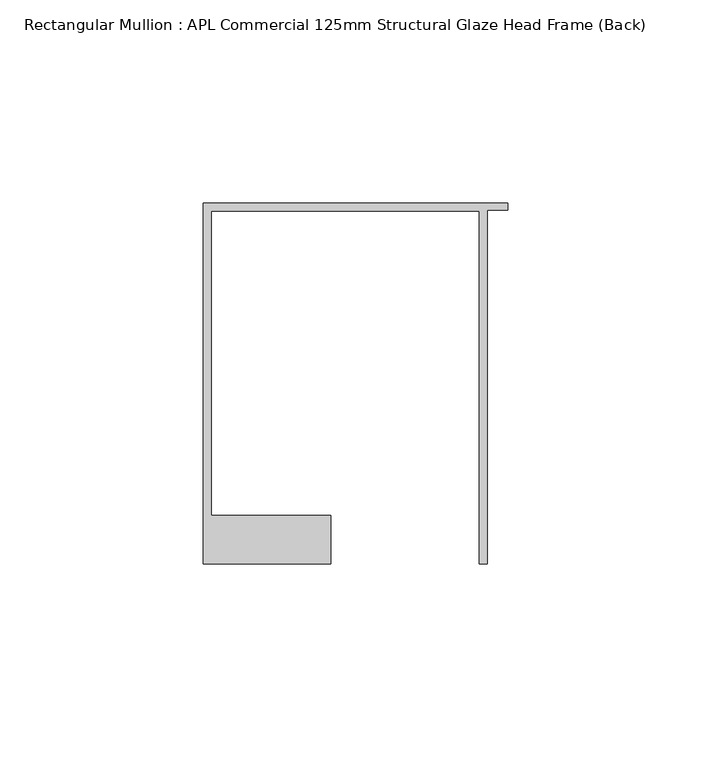
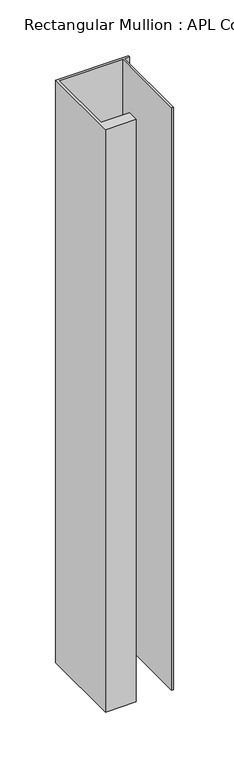
"""IFC4 building model written with IfcOpenShell, lengths in millimetres: member geometry, Rectangular Mullion : APL Commercial 125mm Structural Glaze Head Frame (Back)."""

import ifcopenshell
import ifcopenshell.guid

model = None  # the IFC model being written
_history = None  # IfcOwnerHistory: only IFC2X3 demands one
_inside = {}  # id of a spatial element -> (the spatial element, [elements in it])
_under = {}  # id of a project, library or spatial element -> (it, [spatial elements below it])
_declared = {}  # id of a project -> (the project, [libraries it declares])
_typed = {}  # id of a type object -> (the type object, [elements of that type])
_made_of = {}  # id of a material, layer set ... -> (it, [elements and type objects made of it])


def new_model(schema):
    """Start an empty IFC model of exactly this schema.

    Asked for "IFC4X3", IfcOpenShell would pick the latest addendum, in which some entities
    have other attributes; the version numbers below select the first issue.
    IFC2X3 requires an IfcOwnerHistory on every rooted entity: one is made here for all.
    """
    global model, _history
    if schema == "IFC4X3":
        model = ifcopenshell.file(schema_version=(4, 3, 0, 0))
    else:
        model = ifcopenshell.file(schema=schema)
    _inside.clear()
    _under.clear()
    _declared.clear()
    _typed.clear()
    _made_of.clear()
    _history = None
    if model.schema == "IFC2X3":
        org = make("IfcOrganization", Name="unknown")
        user = make(
            "IfcPersonAndOrganization",
            ThePerson=make("IfcPerson", FamilyName="unknown"),
            TheOrganization=org,
        )
        app = make(
            "IfcApplication",
            ApplicationDeveloper=org,
            Version="unknown",
            ApplicationFullName="unknown",
            ApplicationIdentifier="unknown",
        )
        _history = make(
            "IfcOwnerHistory",
            OwningUser=user,
            OwningApplication=app,
            ChangeAction="ADDED",
            CreationDate=0,
        )
    return model


def make(cls, **values):
    """One entity of the class cls with the attributes given. An attribute that is None is left unset."""
    return model.create_entity(
        cls, **{name: value for name, value in values.items() if value is not None}
    )


def rooted(cls, **values):
    """An entity with a GlobalId (a new one), such as an element, a storey or a relation."""
    return make(cls, GlobalId=ifcopenshell.guid.new(), OwnerHistory=_history, **values)


def si_unit(unit_type, name, prefix=None):
    """IfcSIUnit, for example si_unit("LENGTHUNIT", "METRE", prefix="MILLI")."""
    return make("IfcSIUnit", UnitType=unit_type, Prefix=prefix, Name=name)


def assignment(units):
    """IfcUnitAssignment: the units of a project."""
    return None if units is None else make("IfcUnitAssignment", Units=units)


def point(xyz):
    """IfcCartesianPoint."""
    return None if xyz is None else make("IfcCartesianPoint", Coordinates=xyz)


def direction(xyz):
    """IfcDirection."""
    return None if xyz is None else make("IfcDirection", DirectionRatios=xyz)


def frame(location, z_axis=None, x_axis=None):
    """IfcAxis2Placement3D, a coordinate frame: its origin and axes. An axis left out is left unset."""
    return make(
        "IfcAxis2Placement3D",
        Location=point(location),
        Axis=direction(z_axis),
        RefDirection=direction(x_axis),
    )


def origin():
    """The frame at (0, 0, 0) with its axes left unset."""
    return frame((0.0, 0.0, 0.0))


def place(relative_to, where):
    """IfcLocalPlacement: puts the frame where relative to a parent placement (None: the world)."""
    return make(
        "IfcLocalPlacement", PlacementRelTo=relative_to, RelativePlacement=where
    )


def context(
    kind, dimensions, precision=None, world=None, true_north=None, identifier=None
):
    """IfcGeometricRepresentationContext, for example the 3D "Model" context."""
    return make(
        "IfcGeometricRepresentationContext",
        ContextIdentifier=identifier,
        ContextType=kind,
        CoordinateSpaceDimension=dimensions,
        Precision=precision,
        WorldCoordinateSystem=world,
        TrueNorth=true_north,
    )


def project(units=None, contexts=None):
    """IfcProject with its units and contexts."""
    return rooted(
        "IfcProject",
        Name="project",
        RepresentationContexts=contexts,
        UnitsInContext=assignment(units),
    )


def spatial(cls, under=None, at=None, **own):
    """A site, building, storey or space (cls), placed at a placement, below another one or the project."""
    s = rooted(cls, ObjectPlacement=at, **own)
    if under is not None:
        _under.setdefault(under.id(), (under, []))[1].append(s)
    return s


def polyline(points):
    """IfcPolyline through the points."""
    return make("IfcPolyline", Points=[point(p) for p in points])


def outline(outer, holes=None, kind="AREA"):
    """IfcArbitraryClosedProfileDef: a profile drawn as a closed curve; with holes, ...WithVoids."""
    if holes is None:
        return make("IfcArbitraryClosedProfileDef", ProfileType=kind, OuterCurve=outer)
    return make(
        "IfcArbitraryProfileDefWithVoids",
        ProfileType=kind,
        OuterCurve=outer,
        InnerCurves=holes,
    )


def extrude(swept, where, along, depth):
    """IfcExtrudedAreaSolid: the profile swept, set in the frame where, extruded along a direction by depth."""
    return make(
        "IfcExtrudedAreaSolid",
        SweptArea=swept,
        Position=where,
        ExtrudedDirection=direction(along),
        Depth=depth,
    )


def shape(context_of_items, identifier, shape_type, items):
    """IfcShapeRepresentation: the items that make up one representation, for example the "Body"."""
    return make(
        "IfcShapeRepresentation",
        ContextOfItems=context_of_items,
        RepresentationIdentifier=identifier,
        RepresentationType=shape_type,
        Items=items,
    )


def source(mapping_origin, context_of_items, identifier, shape_type, items):
    """IfcRepresentationMap: a shape defined once, which mapped items show again and again."""
    return make(
        "IfcRepresentationMap",
        MappingOrigin=mapping_origin,
        MappedRepresentation=shape(context_of_items, identifier, shape_type, items),
    )


def transform(
    local_origin,
    x_axis=None,
    y_axis=None,
    z_axis=None,
    scale=None,
    scale2=None,
    scale3=None,
    uniform=True,
):
    """IfcCartesianTransformationOperator3D, or its non-uniform kind. x_axis, y_axis, z_axis: its Axis1, 2, 3."""
    if uniform:
        return make(
            "IfcCartesianTransformationOperator3D",
            Axis1=direction(x_axis),
            Axis2=direction(y_axis),
            LocalOrigin=point(local_origin),
            Scale=scale,
            Axis3=direction(z_axis),
        )
    return make(
        "IfcCartesianTransformationOperator3DnonUniform",
        Axis1=direction(x_axis),
        Axis2=direction(y_axis),
        LocalOrigin=point(local_origin),
        Scale=scale,
        Axis3=direction(z_axis),
        Scale2=scale2,
        Scale3=scale3,
    )


def mapped(mapping_source, mapping_target):
    """IfcMappedItem: shows the shape of a source again, moved by a transform."""
    return make(
        "IfcMappedItem", MappingSource=mapping_source, MappingTarget=mapping_target
    )


def made_of(thing, what):
    """Note that an element or type object is made of a material, layer set ...; save() writes the relation."""
    if what is not None:
        _made_of.setdefault(what.id(), (what, []))[1].append(thing)
    return thing


def element(
    cls,
    number,
    at=None,
    inside=None,
    cuts=None,
    type_object=None,
    material=None,
    context=None,
    identifier="Body",
    shape_type=None,
    held_by="IfcProductDefinitionShape",
    body=None,
    shapes=None,
    **own,
):
    """One element of the class cls, such as IfcWall. Its Tag is "e" and its number.

    at: its placement. inside: the storey or other place that contains it. cuts: it is an
    opening in that element (IfcRelVoidsElement). A single representation is given by context,
    identifier, shape_type and body (its items); several are given by shapes. held_by: the class
    of the entity that holds the representations. save() writes the other relations.
    """
    e = rooted(cls, Tag="e%d" % number, ObjectPlacement=at, **own)
    if body is not None:
        shapes = [shape(context, identifier, shape_type, body)]
    if shapes is not None:
        e.Representation = make(held_by, Representations=shapes)
    if inside is not None:
        _inside.setdefault(inside.id(), (inside, []))[1].append(e)
    if cuts is not None:
        rooted(
            "IfcRelVoidsElement", RelatingBuildingElement=cuts, RelatedOpeningElement=e
        )
    if type_object is not None:
        _typed.setdefault(type_object.id(), (type_object, []))[1].append(e)
    return made_of(e, material)


def aggregate(whole, parts):
    """IfcRelAggregates: a whole, such as a stair, and the parts it consists of."""
    return rooted("IfcRelAggregates", RelatingObject=whole, RelatedObjects=parts)


def save(model, path):
    """Write the relations noted so far, then the file.

    IfcRelAggregates (storeys below a building ...), IfcRelContainedInSpatialStructure (elements
    in a storey), IfcRelDefinesByType, IfcRelAssociatesMaterial and IfcRelDeclares: one each for
    every whole, place, type object, material and project.
    """
    for whole, parts in _under.values():
        aggregate(whole, parts)
    for where, things in _inside.values():
        rooted(
            "IfcRelContainedInSpatialStructure",
            RelatedElements=things,
            RelatingStructure=where,
        )
    for kind, things in _typed.values():
        rooted("IfcRelDefinesByType", RelatedObjects=things, RelatingType=kind)
    for what, things in _made_of.values():
        rooted("IfcRelAssociatesMaterial", RelatedObjects=things, RelatingMaterial=what)
    for by, libraries in _declared.values():
        rooted("IfcRelDeclares", RelatingContext=by, RelatedDefinitions=libraries)
    model.write(path)


def rectangular_mullion_apl_commercial_125mm_structural_glaze_7e6676a9(model_context):
    return source(origin(), model_context, "Body", "SweptSolid", [
        extrude(outline(polyline([(-75.0, 103.9993063), (0.0, 103.9993063), (0.0, 102.1993063), (-5.0, 102.1993063), (-5.0, 14.9998342), (-7.0, 14.9998342), (-7.0, 101.9993063), (-73.0, 101.9993063), (-73.0, 26.9997514), (-43.5000151, 26.9997514), (-43.5000151, 14.9998342), (-75.0, 14.9998342), (-75.0, 103.9993063)])), frame((0.0, 0.0, -635.1422625), z_axis=(0.0, 0.0, 1.0), x_axis=(1.0, 0.0, 0.0)), (0.0, 0.0, 1.0), 635.1422625),
    ])


if __name__ == "__main__":
    model = new_model("IFC4")
    model_context = context("Model", 3, world=origin())
    ifc_project = project(units=[si_unit("LENGTHUNIT", "METRE", prefix="MILLI")], contexts=[model_context])
    site = spatial("IfcSite", under=ifc_project)
    building = spatial("IfcBuilding", under=site)
    placement = place(None, origin())
    rectangular_mullion_apl_commercial_125mm_structural_glaze_shape = rectangular_mullion_apl_commercial_125mm_structural_glaze_7e6676a9(model_context)
    element("IfcMember", 1, ObjectType="Rectangular Mullion : APL Commercial 125mm Structural Glaze Head Frame (Back)", at=placement, inside=building, context=model_context, shape_type="MappedRepresentation", body=[
        mapped(rectangular_mullion_apl_commercial_125mm_structural_glaze_shape, transform((0.0, 0.0, 0.0), x_axis=(1.0, 0.0, 0.0), y_axis=(0.0, 1.0, 0.0), z_axis=(0.0, 0.0, 1.0))),
    ])
    save(model, "model.ifc")
